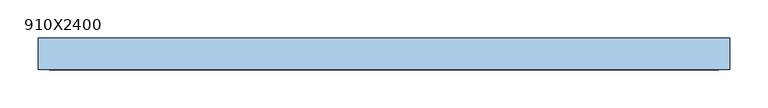
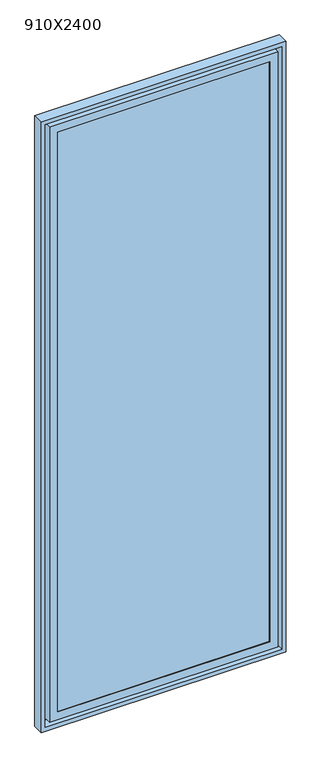
"""IFC4 building model written with IfcOpenShell, lengths in millimetres: window geometry, 910X2400."""

from ifc_helpers import new_model, si_unit, frame, origin, place, context, project, spatial, polyline, outline, extrude, faceted_brep, source, transform, mapped, element, save


def window_910x2400_249b834c(model_context):
    return source(origin(), model_context, "Body", "SolidModel", [
        extrude(outline(polyline([(410.0, -12.0), (410.0, -18.0), (-410.0, -18.0), (-410.0, -12.0), (410.0, -12.0)])), frame((0.0, 0.0, 45.0), z_axis=(0.0, 0.0, 1.0), x_axis=(1.0, 0.0, 0.0)), (0.0, 0.0, 1.0), 2310.0),
        faceted_brep([(425.0, -21.0, 2370.0), (425.0, -21.0, 30.0), (425.0, 15.0, 30.0), (425.0, 15.0, 2370.0), (440.0, 15.0, 2385.0), (-440.0, 15.0, 2385.0), (-440.0, 15.0, 15.0), (440.0, 15.0, 15.0), (-425.0, 15.0, 2370.0), (-425.0, 15.0, 30.0), (-425.0, -21.0, 30.0), (-425.0, -21.0, 2370.0), (-395.0, -21.0, 2340.0), (395.0, -21.0, 2340.0), (395.0, -21.0, 60.0), (-395.0, -21.0, 60.0), (395.0, -18.0, 2340.0), (395.0, -18.0, 60.0), (-395.0, -18.0, 60.0), (-410.0, -18.0, 2355.0), (410.0, -18.0, 2355.0), (410.0, -18.0, 45.0), (-410.0, -18.0, 45.0), (-395.0, -18.0, 2340.0), (410.0, 18.0, 2355.0), (410.0, 18.0, 45.0), (-410.0, 18.0, 45.0), (-440.0, 18.0, 2385.0), (440.0, 18.0, 2385.0), (440.0, 18.0, 15.0), (-440.0, 18.0, 15.0), (-410.0, 18.0, 2355.0)], [[[0, 1, 2, 3]], [[4, 5, 6, 7], [8, 3, 2, 9]], [[1, 10, 9, 2]], [[0, 11, 10, 1], [12, 13, 14, 15]], [[16, 17, 14, 13]], [[17, 18, 15, 14]], [[19, 20, 21, 22], [16, 23, 18, 17]], [[24, 25, 21, 20]], [[25, 26, 22, 21]], [[27, 28, 29, 30], [24, 31, 26, 25]], [[4, 7, 29, 28]], [[7, 6, 30, 29]], [[10, 11, 8, 9]], [[18, 23, 12, 15]], [[26, 31, 19, 22]], [[6, 5, 27, 30]], [[11, 0, 3, 8]], [[23, 16, 13, 12]], [[31, 24, 20, 19]], [[5, 4, 28, 27]]]),
        faceted_brep([(-425.0, 18.0, 2370.0), (-425.0, 18.0, 30.0), (-425.0, 21.0, 30.0), (-425.0, 21.0, 2370.0), (-455.0, 21.0, 0.0), (-455.0, 21.0, 2400.0), (455.0, 21.0, 2400.0), (455.0, 21.0, 0.0), (425.0, 21.0, 30.0), (425.0, 21.0, 2370.0), (425.0, 18.0, 30.0), (-440.0, 18.0, 2385.0), (-440.0, 18.0, 15.0), (440.0, 18.0, 15.0), (440.0, 18.0, 2385.0), (425.0, 18.0, 2370.0), (-440.0, -21.0, 2385.0), (-440.0, -21.0, 15.0), (440.0, -21.0, 15.0), (-455.0, -21.0, 2400.0), (-455.0, -21.0, 0.0), (455.0, -21.0, 0.0), (455.0, -21.0, 2400.0), (440.0, -21.0, 2385.0)], [[[0, 1, 2, 3]], [[4, 5, 6, 7], [3, 2, 8, 9]], [[1, 10, 8, 2]], [[11, 12, 13, 14], [1, 0, 15, 10]], [[16, 17, 12, 11]], [[17, 18, 13, 12]], [[19, 20, 21, 22], [17, 16, 23, 18]], [[5, 4, 20, 19]], [[4, 7, 21, 20]], [[10, 15, 9, 8]], [[18, 23, 14, 13]], [[7, 6, 22, 21]], [[15, 0, 3, 9]], [[23, 16, 11, 14]], [[6, 5, 19, 22]]]),
    ])


if __name__ == "__main__":
    model = new_model("IFC4")
    model_context = context("Model", 3, world=origin())
    ifc_project = project(units=[si_unit("LENGTHUNIT", "METRE", prefix="MILLI")], contexts=[model_context])
    site = spatial("IfcSite", under=ifc_project)
    building = spatial("IfcBuilding", under=site)
    placement = place(None, origin())
    window_910x2400_shape = window_910x2400_249b834c(model_context)
    element("IfcWindow", 1, ObjectType="910X2400", at=placement, inside=building, context=model_context, shape_type="MappedRepresentation", body=[
        mapped(window_910x2400_shape, transform((0.0, 0.0, 0.0), x_axis=(1.0, 0.0, 0.0), y_axis=(0.0, 1.0, 0.0), z_axis=(0.0, 0.0, 1.0))),
    ])
    save(model, "model.ifc")
